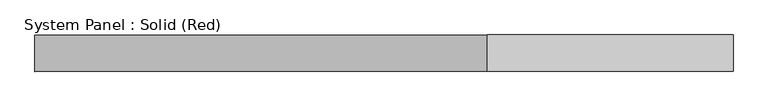
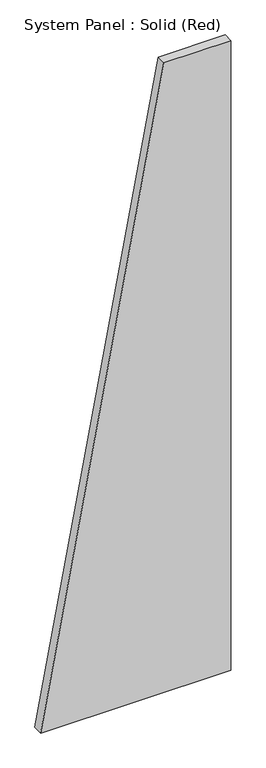
"""IFC4 building model written with IfcOpenShell, lengths in millimetres: plate geometry, System Panel : Solid (Red)."""

from ifc_helpers import new_model, si_unit, frame, origin, place, context, project, spatial, polyline, outline, extrude, source, transform, mapped, element, save


def system_panel_solid_red_fd523079(model_context):
    return source(origin(), model_context, "Body", "SweptSolid", [
        extrude(outline(polyline([(0.0, -609.6000002), (0.0, 609.6000002), (4267.2, 609.6000002), (4267.2, 180.6222221), (0.0, -609.6000002)])), frame((0.0, -19.05, 0.0), z_axis=(0.0, 1.0, 0.0), x_axis=(0.0, 0.0, 1.0)), (0.0, 0.0, 1.0), 63.5),
    ])


if __name__ == "__main__":
    model = new_model("IFC4")
    model_context = context("Model", 3, world=origin())
    ifc_project = project(units=[si_unit("LENGTHUNIT", "METRE", prefix="MILLI")], contexts=[model_context])
    site = spatial("IfcSite", under=ifc_project)
    building = spatial("IfcBuilding", under=site)
    placement = place(None, origin())
    system_panel_solid_red_shape = system_panel_solid_red_fd523079(model_context)
    element("IfcPlate", 1, ObjectType="System Panel : Solid (Red)", at=placement, inside=building, context=model_context, shape_type="MappedRepresentation", body=[
        mapped(system_panel_solid_red_shape, transform((0.0, 0.0, 0.0), x_axis=(1.0, 0.0, 0.0), y_axis=(0.0, 1.0, 0.0), z_axis=(0.0, 0.0, 1.0))),
    ])
    save(model, "model.ifc")
